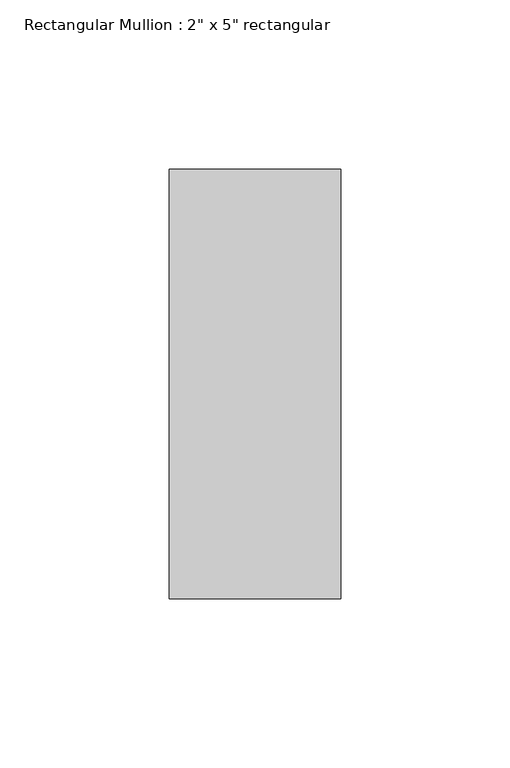
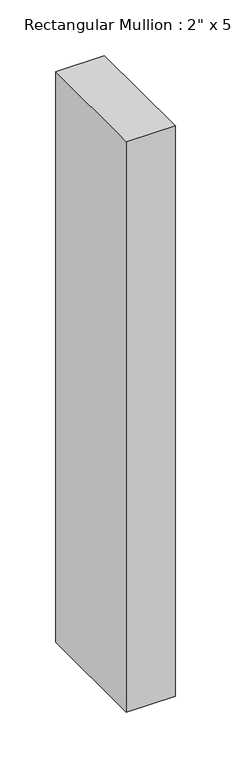
"""IFC4 building model written with IfcOpenShell, lengths in millimetres: member geometry."""

from ifc_helpers import new_model, si_unit, frame, origin, place, context, project, spatial, polyline, outline, extrude, source, transform, mapped, element, save


def member_28e15049(model_context):
    return source(origin(), model_context, "Body", "SweptSolid", [
        extrude(outline(polyline([(0.0, 63.5), (0.0, -63.5), (-50.8, -63.5), (-50.8, 63.5), (0.0, 63.5)])), frame((0.0, 0.0, -626.5333333), z_axis=(0.0, 0.0, 1.0), x_axis=(1.0, 0.0, 0.0)), (0.0, 0.0, 1.0), 626.5333333),
    ])


if __name__ == "__main__":
    model = new_model("IFC4")
    model_context = context("Model", 3, world=origin())
    ifc_project = project(units=[si_unit("LENGTHUNIT", "METRE", prefix="MILLI")], contexts=[model_context])
    site = spatial("IfcSite", under=ifc_project)
    building = spatial("IfcBuilding", under=site)
    placement = place(None, origin())
    member_shape = member_28e15049(model_context)
    element("IfcMember", 1, ObjectType="Rectangular Mullion : 2\" x 5\" rectangular", at=placement, inside=building, context=model_context, shape_type="MappedRepresentation", body=[
        mapped(member_shape, transform((0.0, 0.0, 0.0), x_axis=(1.0, 0.0, 0.0), y_axis=(0.0, 1.0, 0.0), z_axis=(0.0, 0.0, 1.0))),
    ])
    save(model, "model.ifc")
